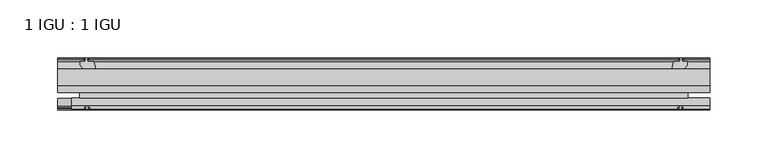
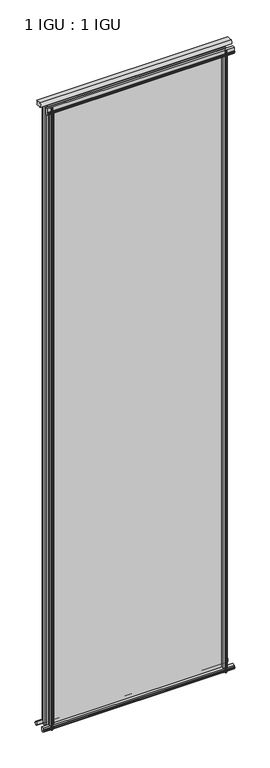
"""IFC4 building model written with IfcOpenShell, lengths in millimetres: plate geometry, 1 IGU : 1 IGU."""

import ifcopenshell
import ifcopenshell.guid

model = None  # the IFC model being written
_history = None  # IfcOwnerHistory: only IFC2X3 demands one
_inside = {}  # id of a spatial element -> (the spatial element, [elements in it])
_under = {}  # id of a project, library or spatial element -> (it, [spatial elements below it])
_declared = {}  # id of a project -> (the project, [libraries it declares])
_typed = {}  # id of a type object -> (the type object, [elements of that type])
_made_of = {}  # id of a material, layer set ... -> (it, [elements and type objects made of it])


def new_model(schema):
    """Start an empty IFC model of exactly this schema.

    Asked for "IFC4X3", IfcOpenShell would pick the latest addendum, in which some entities
    have other attributes; the version numbers below select the first issue.
    IFC2X3 requires an IfcOwnerHistory on every rooted entity: one is made here for all.
    """
    global model, _history
    if schema == "IFC4X3":
        model = ifcopenshell.file(schema_version=(4, 3, 0, 0))
    else:
        model = ifcopenshell.file(schema=schema)
    _inside.clear()
    _under.clear()
    _declared.clear()
    _typed.clear()
    _made_of.clear()
    _history = None
    if model.schema == "IFC2X3":
        org = make("IfcOrganization", Name="unknown")
        user = make(
            "IfcPersonAndOrganization",
            ThePerson=make("IfcPerson", FamilyName="unknown"),
            TheOrganization=org,
        )
        app = make(
            "IfcApplication",
            ApplicationDeveloper=org,
            Version="unknown",
            ApplicationFullName="unknown",
            ApplicationIdentifier="unknown",
        )
        _history = make(
            "IfcOwnerHistory",
            OwningUser=user,
            OwningApplication=app,
            ChangeAction="ADDED",
            CreationDate=0,
        )
    return model


def make(cls, **values):
    """One entity of the class cls with the attributes given. An attribute that is None is left unset."""
    return model.create_entity(
        cls, **{name: value for name, value in values.items() if value is not None}
    )


def rooted(cls, **values):
    """An entity with a GlobalId (a new one), such as an element, a storey or a relation."""
    return make(cls, GlobalId=ifcopenshell.guid.new(), OwnerHistory=_history, **values)


def si_unit(unit_type, name, prefix=None):
    """IfcSIUnit, for example si_unit("LENGTHUNIT", "METRE", prefix="MILLI")."""
    return make("IfcSIUnit", UnitType=unit_type, Prefix=prefix, Name=name)


def assignment(units):
    """IfcUnitAssignment: the units of a project."""
    return None if units is None else make("IfcUnitAssignment", Units=units)


def point(xyz):
    """IfcCartesianPoint."""
    return None if xyz is None else make("IfcCartesianPoint", Coordinates=xyz)


def direction(xyz):
    """IfcDirection."""
    return None if xyz is None else make("IfcDirection", DirectionRatios=xyz)


def frame(location, z_axis=None, x_axis=None):
    """IfcAxis2Placement3D, a coordinate frame: its origin and axes. An axis left out is left unset."""
    return make(
        "IfcAxis2Placement3D",
        Location=point(location),
        Axis=direction(z_axis),
        RefDirection=direction(x_axis),
    )


def frame_2d(location, x_axis=None):
    """IfcAxis2Placement2D, a coordinate frame in the plane: its origin and x axis."""
    return make(
        "IfcAxis2Placement2D", Location=point(location), RefDirection=direction(x_axis)
    )


def origin():
    """The frame at (0, 0, 0) with its axes left unset."""
    return frame((0.0, 0.0, 0.0))


def place(relative_to, where):
    """IfcLocalPlacement: puts the frame where relative to a parent placement (None: the world)."""
    return make(
        "IfcLocalPlacement", PlacementRelTo=relative_to, RelativePlacement=where
    )


def context(
    kind, dimensions, precision=None, world=None, true_north=None, identifier=None
):
    """IfcGeometricRepresentationContext, for example the 3D "Model" context."""
    return make(
        "IfcGeometricRepresentationContext",
        ContextIdentifier=identifier,
        ContextType=kind,
        CoordinateSpaceDimension=dimensions,
        Precision=precision,
        WorldCoordinateSystem=world,
        TrueNorth=true_north,
    )


def project(units=None, contexts=None):
    """IfcProject with its units and contexts."""
    return rooted(
        "IfcProject",
        Name="project",
        RepresentationContexts=contexts,
        UnitsInContext=assignment(units),
    )


def spatial(cls, under=None, at=None, **own):
    """A site, building, storey or space (cls), placed at a placement, below another one or the project."""
    s = rooted(cls, ObjectPlacement=at, **own)
    if under is not None:
        _under.setdefault(under.id(), (under, []))[1].append(s)
    return s


def polyline(points):
    """IfcPolyline through the points."""
    return make("IfcPolyline", Points=[point(p) for p in points])


def circle_curve(where, radius):
    """IfcCircle in the frame where."""
    return make("IfcCircle", Position=where, Radius=radius)


def trimmed(basis, trim1, trim2, sense, master):
    """IfcTrimmedCurve: the piece of a basis curve between two trims."""
    return make(
        "IfcTrimmedCurve",
        BasisCurve=basis,
        Trim1=trim1,
        Trim2=trim2,
        SenseAgreement=sense,
        MasterRepresentation=master,
    )


def segment(curve, same_sense, transition):
    """IfcCompositeCurveSegment."""
    return make(
        "IfcCompositeCurveSegment",
        Transition=transition,
        SameSense=same_sense,
        ParentCurve=curve,
    )


def composite_curve(segments, self_intersect=None):
    """IfcCompositeCurve: segments joined end to end."""
    return make("IfcCompositeCurve", Segments=segments, SelfIntersect=self_intersect)


def outline(outer, holes=None, kind="AREA"):
    """IfcArbitraryClosedProfileDef: a profile drawn as a closed curve; with holes, ...WithVoids."""
    if holes is None:
        return make("IfcArbitraryClosedProfileDef", ProfileType=kind, OuterCurve=outer)
    return make(
        "IfcArbitraryProfileDefWithVoids",
        ProfileType=kind,
        OuterCurve=outer,
        InnerCurves=holes,
    )


def extrude(swept, where, along, depth):
    """IfcExtrudedAreaSolid: the profile swept, set in the frame where, extruded along a direction by depth."""
    return make(
        "IfcExtrudedAreaSolid",
        SweptArea=swept,
        Position=where,
        ExtrudedDirection=direction(along),
        Depth=depth,
    )


def shape(context_of_items, identifier, shape_type, items):
    """IfcShapeRepresentation: the items that make up one representation, for example the "Body"."""
    return make(
        "IfcShapeRepresentation",
        ContextOfItems=context_of_items,
        RepresentationIdentifier=identifier,
        RepresentationType=shape_type,
        Items=items,
    )


def source(mapping_origin, context_of_items, identifier, shape_type, items):
    """IfcRepresentationMap: a shape defined once, which mapped items show again and again."""
    return make(
        "IfcRepresentationMap",
        MappingOrigin=mapping_origin,
        MappedRepresentation=shape(context_of_items, identifier, shape_type, items),
    )


def transform(
    local_origin,
    x_axis=None,
    y_axis=None,
    z_axis=None,
    scale=None,
    scale2=None,
    scale3=None,
    uniform=True,
):
    """IfcCartesianTransformationOperator3D, or its non-uniform kind. x_axis, y_axis, z_axis: its Axis1, 2, 3."""
    if uniform:
        return make(
            "IfcCartesianTransformationOperator3D",
            Axis1=direction(x_axis),
            Axis2=direction(y_axis),
            LocalOrigin=point(local_origin),
            Scale=scale,
            Axis3=direction(z_axis),
        )
    return make(
        "IfcCartesianTransformationOperator3DnonUniform",
        Axis1=direction(x_axis),
        Axis2=direction(y_axis),
        LocalOrigin=point(local_origin),
        Scale=scale,
        Axis3=direction(z_axis),
        Scale2=scale2,
        Scale3=scale3,
    )


def mapped(mapping_source, mapping_target):
    """IfcMappedItem: shows the shape of a source again, moved by a transform."""
    return make(
        "IfcMappedItem", MappingSource=mapping_source, MappingTarget=mapping_target
    )


def made_of(thing, what):
    """Note that an element or type object is made of a material, layer set ...; save() writes the relation."""
    if what is not None:
        _made_of.setdefault(what.id(), (what, []))[1].append(thing)
    return thing


def element(
    cls,
    number,
    at=None,
    inside=None,
    cuts=None,
    type_object=None,
    material=None,
    context=None,
    identifier="Body",
    shape_type=None,
    held_by="IfcProductDefinitionShape",
    body=None,
    shapes=None,
    **own,
):
    """One element of the class cls, such as IfcWall. Its Tag is "e" and its number.

    at: its placement. inside: the storey or other place that contains it. cuts: it is an
    opening in that element (IfcRelVoidsElement). A single representation is given by context,
    identifier, shape_type and body (its items); several are given by shapes. held_by: the class
    of the entity that holds the representations. save() writes the other relations.
    """
    e = rooted(cls, Tag="e%d" % number, ObjectPlacement=at, **own)
    if body is not None:
        shapes = [shape(context, identifier, shape_type, body)]
    if shapes is not None:
        e.Representation = make(held_by, Representations=shapes)
    if inside is not None:
        _inside.setdefault(inside.id(), (inside, []))[1].append(e)
    if cuts is not None:
        rooted(
            "IfcRelVoidsElement", RelatingBuildingElement=cuts, RelatedOpeningElement=e
        )
    if type_object is not None:
        _typed.setdefault(type_object.id(), (type_object, []))[1].append(e)
    return made_of(e, material)


def aggregate(whole, parts):
    """IfcRelAggregates: a whole, such as a stair, and the parts it consists of."""
    return rooted("IfcRelAggregates", RelatingObject=whole, RelatedObjects=parts)


def save(model, path):
    """Write the relations noted so far, then the file.

    IfcRelAggregates (storeys below a building ...), IfcRelContainedInSpatialStructure (elements
    in a storey), IfcRelDefinesByType, IfcRelAssociatesMaterial and IfcRelDeclares: one each for
    every whole, place, type object, material and project.
    """
    for whole, parts in _under.values():
        aggregate(whole, parts)
    for where, things in _inside.values():
        rooted(
            "IfcRelContainedInSpatialStructure",
            RelatedElements=things,
            RelatingStructure=where,
        )
    for kind, things in _typed.values():
        rooted("IfcRelDefinesByType", RelatedObjects=things, RelatingType=kind)
    for what, things in _made_of.values():
        rooted("IfcRelAssociatesMaterial", RelatedObjects=things, RelatingMaterial=what)
    for by, libraries in _declared.values():
        rooted("IfcRelDeclares", RelatingContext=by, RelatedDefinitions=libraries)
    model.write(path)


def plate_1_igu_1_igu_6b9308c7(model_context):
    return source(origin(), model_context, "Body", "SweptSolid", [
        extrude(outline(polyline([(-263.536306, -38.6468937), (263.536306, -38.6468937), (263.536306, -44.9460938), (-263.536306, -44.9460938), (-263.536306, -38.6468937)])), frame((0.0, 0.0, -12.7), z_axis=(0.0, 0.0, 1.0), x_axis=(1.0, 0.0, 0.0)), (0.0, 0.0, 1.0), 1944.7650858),
        extrude(outline(polyline([(-263.536306, -19.5460937), (263.536306, -19.5460937), (263.536306, -25.8960938), (-263.536306, -25.8960938), (-263.536306, -19.5460937)])), frame((0.0, 0.0, -12.7), z_axis=(0.0, 0.0, 1.0), x_axis=(1.0, 0.0, 0.0)), (0.0, 0.0, 1.0), 1944.7650858),
        extrude(outline(composite_curve([segment(trimmed(circle_curve(frame_2d((-9.2245666, 1938.378665)), 12.1106873), [point((-19.5460937, 1944.7138702))], [point((-19.5460937, 1932.0434598))], True, "CARTESIAN"), True, "CONTINUOUS"), segment(polyline([(-19.5460937, 1932.0434598), (-33.8757421, 1932.0434598)]), True, "CONTINUOUS"), segment(trimmed(circle_curve(frame_2d((-33.8757421, 1938.378665)), 6.3352052), [point((-33.8757421, 1932.0434598))], [point((-33.8757421, 1944.7138702))], False, "CARTESIAN"), True, "CONTINUOUS"), segment(polyline([(-33.8757421, 1944.7138702), (-19.5460937, 1944.7138702)]), True, "CONTINUOUS")], self_intersect=False)), frame((-282.586306, 0.0, 0.0), z_axis=(1.0, 0.0, 0.0), x_axis=(0.0, 1.0, 0.0)), (0.0, 0.0, 1.0), 565.1726121),
        extrude(outline(polyline([(-44.9460937, 1.7177181), (-44.9460937, -9.1036578), (-48.3496937, -11.938), (-51.2960937, -11.938), (-51.2960937, -7.493), (-53.6762907, -7.112), (-53.2163575, -8.5275291), (-54.0175717, -8.5275291), (-54.7250937, -6.35), (-54.0175717, -4.1724709), (-53.2163575, -4.1724709), (-53.6762907, -5.588), (-51.2960937, -5.207), (-51.2960937, 0.0), (-44.9460937, 1.7177181)])), frame((-282.586306, 0.0, 0.0), z_axis=(1.0, 0.0, 0.0), x_axis=(0.0, 1.0, 0.0)), (0.0, 0.0, 1.0), 565.1726121),
        extrude(outline(polyline([(-13.1960937, -12.4587), (-16.1424937, -12.4587), (-19.5460937, -9.6243578), (-19.5460937, 1.1970181), (-13.1960937, -0.5207), (-13.1960937, -5.7277), (-10.8158968, -6.1087), (-11.27583, -4.6931709), (-10.4746158, -4.6931709), (-9.7670937, -6.8707), (-10.4746158, -9.0482291), (-11.27583, -9.0482291), (-10.8158968, -7.6327), (-13.1960937, -8.0137), (-13.1960937, -12.4587)])), frame((-282.586306, 0.0, 0.0), z_axis=(1.0, 0.0, 0.0), x_axis=(0.0, 1.0, 0.0)), (0.0, 0.0, 1.0), 565.1726121),
        extrude(outline(composite_curve([segment(polyline([(-44.9380025, 1912.9271835), (-51.2960937, 1912.9271835), (-51.2960937, 1917.7531835), (-54.1955564, 1917.7531835), (-54.8194621, 1918.7304759)]), True, "CONTINUOUS"), segment(trimmed(circle_curve(frame_2d((-53.9630937, 1919.2771835)), 1.016), [point((-54.8194621, 1918.7304759))], [point((-54.8194621, 1919.8238911))], False, "CARTESIAN"), True, "CONTINUOUS"), segment(polyline([(-54.8194621, 1919.8238911), (-54.1955564, 1920.8011835), (-51.2878033, 1920.8011835), (-51.2916866, 1931.965867), (-44.9380025, 1931.965867), (-44.9380025, 1912.9271835)]), True, "CONTINUOUS")], self_intersect=False)), frame((-270.3285999, 0.0, 0.0), z_axis=(1.0, 0.0, 0.0), x_axis=(0.0, 1.0, 0.0)), (0.0, 0.0, 1.0), 552.914906),
        extrude(outline(polyline([(249.639288, -19.5460938), (251.357006, -13.1960938), (256.564006, -13.1960938), (256.945006, -10.8158968), (255.529477, -11.27583), (255.529477, -10.4746158), (257.707006, -9.7670938), (259.8845351, -10.4746158), (259.8845351, -11.27583), (258.469006, -10.8158968), (258.850006, -13.1960938), (263.295006, -13.1960938), (263.295006, -16.1424938), (260.4606639, -19.5460938), (249.639288, -19.5460938)])), frame((0.0, 0.0, -12.7), z_axis=(0.0, 0.0, 1.0), x_axis=(1.0, 0.0, 0.0)), (0.0, 0.0, 1.0), 1944.7650859),
        extrude(outline(polyline([(249.118588, -44.9460938), (259.9399639, -44.9460938), (262.774306, -48.3496938), (262.774306, -51.2960938), (258.329306, -51.2960938), (257.948306, -53.6762907), (259.3638351, -53.2163575), (259.3638351, -54.0175717), (257.186306, -54.7250938), (255.008777, -54.0175717), (255.008777, -53.2163575), (256.424306, -53.6762907), (256.043306, -51.2960938), (250.836306, -51.2960938), (249.118588, -44.9460938)])), frame((0.0, 0.0, -12.7), z_axis=(0.0, 0.0, 1.0), x_axis=(1.0, 0.0, 0.0)), (0.0, 0.0, 1.0), 1944.7650859),
        extrude(outline(polyline([(-257.707006, -9.7670937), (-255.529477, -10.4746158), (-255.529477, -11.27583), (-256.945006, -10.8158968), (-256.564006, -13.1960937), (-251.357006, -13.1960937), (-249.639288, -19.5460937), (-260.4606639, -19.5460937), (-263.295006, -16.1424937), (-263.295006, -13.1960937), (-258.850006, -13.1960937), (-258.469006, -10.8158968), (-259.8845351, -11.27583), (-259.8845351, -10.4746158), (-257.707006, -9.7670937)])), frame((0.0, 0.0, -12.7), z_axis=(0.0, 0.0, 1.0), x_axis=(1.0, 0.0, 0.0)), (0.0, 0.0, 1.0), 1944.7650859),
        extrude(outline(polyline([(-262.774306, -48.3496937), (-259.9399639, -44.9460937), (-249.118588, -44.9460937), (-250.836306, -51.2960937), (-256.043306, -51.2960937), (-256.424306, -53.6762907), (-255.008777, -53.2163575), (-255.008777, -54.0175717), (-257.186306, -54.7250937), (-259.3638351, -54.0175717), (-259.3638351, -53.2163575), (-257.948306, -53.6762907), (-258.329306, -51.2960937), (-262.774306, -51.2960937), (-262.774306, -48.3496937)])), frame((0.0, 0.0, -12.7), z_axis=(0.0, 0.0, 1.0), x_axis=(1.0, 0.0, 0.0)), (0.0, 0.0, 1.0), 1944.7650859),
    ])


if __name__ == "__main__":
    model = new_model("IFC4")
    model_context = context("Model", 3, world=origin())
    ifc_project = project(units=[si_unit("LENGTHUNIT", "METRE", prefix="MILLI")], contexts=[model_context])
    site = spatial("IfcSite", under=ifc_project)
    building = spatial("IfcBuilding", under=site)
    placement = place(None, origin())
    plate_1_igu_1_igu_shape = plate_1_igu_1_igu_6b9308c7(model_context)
    element("IfcPlate", 1, ObjectType="1 IGU : 1 IGU", at=placement, inside=building, context=model_context, shape_type="MappedRepresentation", body=[
        mapped(plate_1_igu_1_igu_shape, transform((0.0, 0.0, 0.0), x_axis=(1.0, 0.0, 0.0), y_axis=(0.0, 1.0, 0.0), z_axis=(0.0, 0.0, 1.0))),
    ])
    save(model, "model.ifc")
